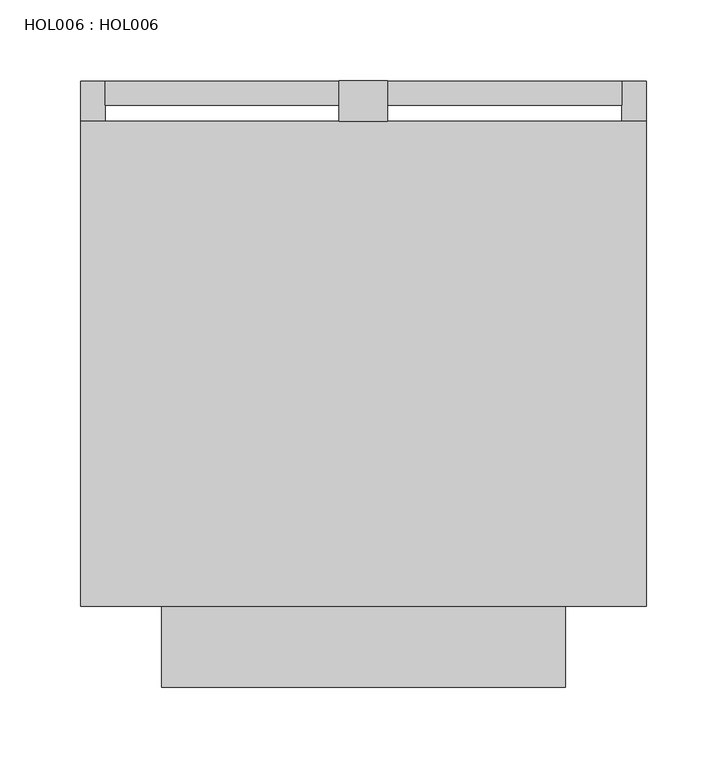
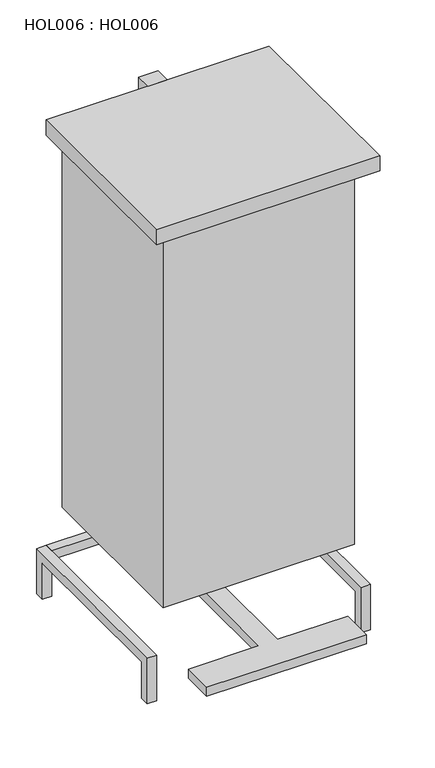
"""IFC4 building model written with IfcOpenShell, lengths in millimetres: proxy geometry, HOL006 : HOL006."""

from ifc_helpers import new_model, si_unit, frame, origin, place, context, project, spatial, polyline, outline, extrude, source, transform, mapped, element, save


def hol006_hol006_29d3aa88(model_context):
    return source(origin(), model_context, "Body", "SweptSolid", [
        extrude(outline(polyline([(-15.0000091, 25.0000002), (-15.0000091, 10.0000005), (-160.000018, 10.0000005), (-160.000018, 25.0000002), (-15.0000091, 25.0000002)])), frame((0.0, 0.0, 59.9999986), z_axis=(0.0, 0.0, 1.0), x_axis=(1.0, 0.0, 0.0)), (0.0, 0.0, 1.0), 15.0000019),
        extrude(outline(polyline([(160.0000085, 25.0000002), (160.0000085, 10.0000005), (14.9999997, 10.0000005), (14.9999997, 25.0000002), (160.0000085, 25.0000002)])), frame((0.0, 0.0, 59.9999986), z_axis=(0.0, 0.0, 1.0), x_axis=(1.0, 0.0, 0.0)), (0.0, 0.0, 1.0), 15.0000019),
        extrude(outline(polyline([(-260.0, 0.0), (-275.000011, 0.0), (-275.000011, 75.0000006), (24.9999913, 75.0000006), (24.9999913, 0.0), (9.9999916, 0.0), (9.9999916, 59.9999986), (-260.0, 59.9999986), (-260.0, 0.0)])), frame((-175.0000027, 0.0, 0.0), z_axis=(1.0, 0.0, 0.0), x_axis=(0.0, 1.0, 0.0)), (0.0, 0.0, 1.0), 14.9999928),
        extrude(outline(polyline([(-259.9999911, 0.0), (-275.0000021, 0.0), (-275.0000021, 75.0000006), (25.0000002, 75.0000006), (25.0000002, 0.0), (10.0000005, 0.0), (10.0000005, 59.9999986), (-259.9999911, 59.9999986), (-259.9999911, 0.0)])), frame((160.0000085, 0.0, 0.0), z_axis=(1.0, 0.0, 0.0), x_axis=(0.0, 1.0, 0.0)), (0.0, 0.0, 1.0), 14.9999928),
        extrude(outline(polyline([(-14.9999997, 0.0), (-14.9999997, 25.0000002), (14.9999997, 25.0000002), (14.9999997, 0.0), (-14.9999997, 0.0)])), frame((0.0, 0.0, 40.0000021), z_axis=(0.0, 0.0, 1.0), x_axis=(1.0, 0.0, 0.0)), (0.0, 0.0, 1.0), 760.000004),
        extrude(outline(polyline([(175.0000013, -300.0000023), (-175.0000013, -300.0000023), (-175.0000013, 0.0), (175.0000013, 0.0), (175.0000013, -300.0000023)])), frame((0.0, 0.0, 775.0000059), z_axis=(0.0, 0.0, 1.0), x_axis=(1.0, 0.0, 0.0)), (0.0, 0.0, 1.0), 25.0000002),
        extrude(outline(polyline([(150.0000011, 0.0), (150.0000011, -275.0000021), (-150.0000011, -275.0000021), (-150.0000011, 0.0), (150.0000011, 0.0)])), frame((0.0, 0.0, 150.0000011), z_axis=(0.0, 0.0, 1.0), x_axis=(1.0, 0.0, 0.0)), (0.0, 0.0, 1.0), 625.0000048),
        extrude(outline(polyline([(14.9999997, 0.0), (14.9999997, -300.0000023), (125.000001, -300.0000023), (125.000001, -350.0000027), (-125.000001, -350.0000027), (-125.000001, -300.0000023), (-14.9999997, -300.0000023), (-14.9999997, 0.0), (14.9999997, 0.0)])), frame((0.0, 0.0, 40.0000021), z_axis=(0.0, 0.0, 1.0), x_axis=(1.0, 0.0, 0.0)), (0.0, 0.0, 1.0), 14.9999974),
    ])


if __name__ == "__main__":
    model = new_model("IFC4")
    model_context = context("Model", 3, world=origin())
    ifc_project = project(units=[si_unit("LENGTHUNIT", "METRE", prefix="MILLI")], contexts=[model_context])
    site = spatial("IfcSite", under=ifc_project)
    building = spatial("IfcBuilding", under=site)
    placement = place(None, origin())
    hol006_hol006_shape = hol006_hol006_29d3aa88(model_context)
    element("IfcBuildingElementProxy", 1, Name="HOL006 : HOL006", ObjectType="HOL006 : HOL006", at=placement, inside=building, context=model_context, shape_type="MappedRepresentation", body=[
        mapped(hol006_hol006_shape, transform((0.0, 0.0, 0.0), x_axis=(1.0, 0.0, 0.0), y_axis=(0.0, 1.0, 0.0), z_axis=(0.0, 0.0, 1.0))),
    ])
    save(model, "model.ifc")
